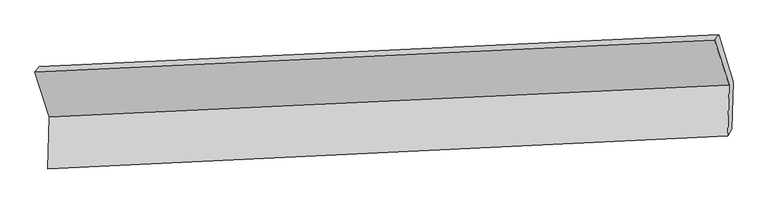
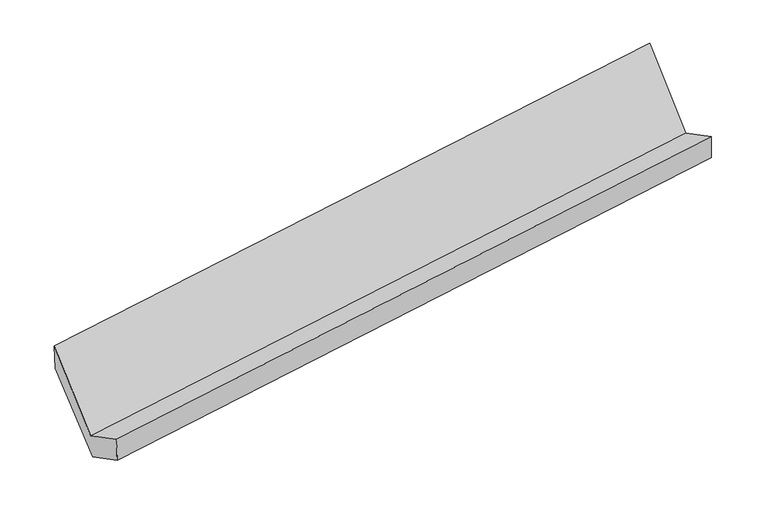
"""IFC4 building model written with IfcOpenShell, lengths in millimetres: proxy geometry."""

from ifc_helpers import new_model, si_unit, frame, origin, place, context, project, spatial, source, transform, mapped, element, save
from ifc_brep_helpers import plane_surface, spline_surface, advanced_brep


def generic_models_409678a6(model_context):
    return source(origin(), model_context, "Body", "AdvancedBrep", [
        advanced_brep(
        [(-5190.2422865, -1617.5541704, 1432.6597598), (-5200.4558949, -1979.3152022, 1625.5771405), (-496.9313234, -1750.0957646, 2304.4305332), (-486.9667589, -1397.1557465, 2116.2171608), (-5172.4417769, -1939.8441434, 1420.5687023), (-468.6681615, -1701.803692, 2094.7180868), (-5162.7277352, -1595.7775227, 1237.0872728), (-459.4522077, -1375.3790988, 1920.6446738), (-5260.4183524, -1269.1203794, 1794.0383121), (-557.1428248, -1048.7219556, 2477.5957131), (-5290.0296838, -1307.1369793, 2009.4748377), (-586.7541563, -1086.7385554, 2693.0322387)],
        [
            (0, 1),
            (1, 2),
            (2, 3),
            (3, 0),
            (1, 4),
            (4, 5),
            (5, 2),
            (4, 6),
            (6, 7),
            (7, 5),
            (6, 8),
            (8, 9),
            (9, 7),
            (8, 10),
            (10, 11),
            (11, 9),
            (10, 0),
            (3, 11),
        ],
        [
            plane_surface(frame((-5195.3490907, -1798.4346863, 1529.1184501), z_axis=(-0.14852339628871858, 0.4685894434509365, 0.8708413944233508), x_axis=(-0.024904390563417533, -0.8821013760037786, 0.4704008224726072))),
            spline_surface(1, 1, [[(-5200.4558949, -1979.3152022, 1625.5771405), (-496.9313234, -1750.0957646, 2304.4305332)], [(-5172.4417769, -1939.8441434, 1420.5687023), (-468.6681615, -1701.803692, 2094.7180868)]], [2, 2], [2, 2], [0.0, 1.0], [0.0, 1.0]),
            plane_surface(frame((-5167.5847561, -1767.810833, 1328.8279875), z_axis=(0.1485233962887193, -0.4685894434509365, -0.8708413944233505), x_axis=(0.02490439056341382, 0.8821013760037782, -0.47040082247260784))),
            plane_surface(frame((-5211.5730438, -1432.4489511, 1515.5627924), z_axis=(0.03235892260065219, 0.8645988523721952, -0.5014197090310755), x_axis=(-0.1495968528235884, 0.5002208195955546, 0.8528774315623725))),
            plane_surface(frame((-5275.2240181, -1288.1286794, 1901.7565749), z_axis=(-0.06994784040027653, 0.9839738049015058, 0.16402088553288302), x_axis=(-0.13413357425026132, -0.17220780595798535, 0.9758855751705661))),
            plane_surface(frame((-5240.1359852, -1462.3455748, 1721.0672988), z_axis=(-0.02698152211828589, -0.8822027583029706, 0.47009604413014483), x_axis=(0.1506009155034984, -0.4684871475516, -0.870539577979355))),
            plane_surface(frame((-509.3192387, -1393.3158021, 2267.7730677), z_axis=(0.9882808991274554, 0.04916253686703703, 0.14451266168964494), x_axis=(-0.13413357425026132, -0.17220780595798535, 0.9758855751705661))),
            plane_surface(frame((-5212.7192883, -1618.1247329, 1586.5676709), z_axis=(-0.9882808991274548, -0.04916253686703237, -0.14451266168965166), x_axis=(-0.15060091550350185, 0.46848714755161064, 0.8705395779793488))),
        ],
        [
            (0, [[1, 2, 3, 4]]),
            (1, [[5, 6, 7, -2]]),
            (2, [[8, 9, 10, -6]]),
            (3, [[11, 12, 13, -9]]),
            (4, [[14, 15, 16, -12]]),
            (5, [[17, -4, 18, -15]]),
            (6, [[-16, -18, -3, -7, -10, -13]]),
            (7, [[-17, -14, -11, -8, -5, -1]]),
        ],
    ),
    ])


if __name__ == "__main__":
    model = new_model("IFC4")
    model_context = context("Model", 3, world=origin())
    ifc_project = project(units=[si_unit("LENGTHUNIT", "METRE", prefix="MILLI")], contexts=[model_context])
    site = spatial("IfcSite", under=ifc_project)
    building = spatial("IfcBuilding", under=site)
    placement = place(None, origin())
    generic_models_shape = generic_models_409678a6(model_context)
    element("IfcBuildingElementProxy", 1, Name="Generic Models", at=placement, inside=building, context=model_context, shape_type="MappedRepresentation", body=[
        mapped(generic_models_shape, transform((0.0, 0.0, 0.0), x_axis=(1.0, 0.0, 0.0), y_axis=(0.0, 1.0, 0.0), z_axis=(0.0, 0.0, 1.0))),
    ])
    save(model, "model.ifc")
